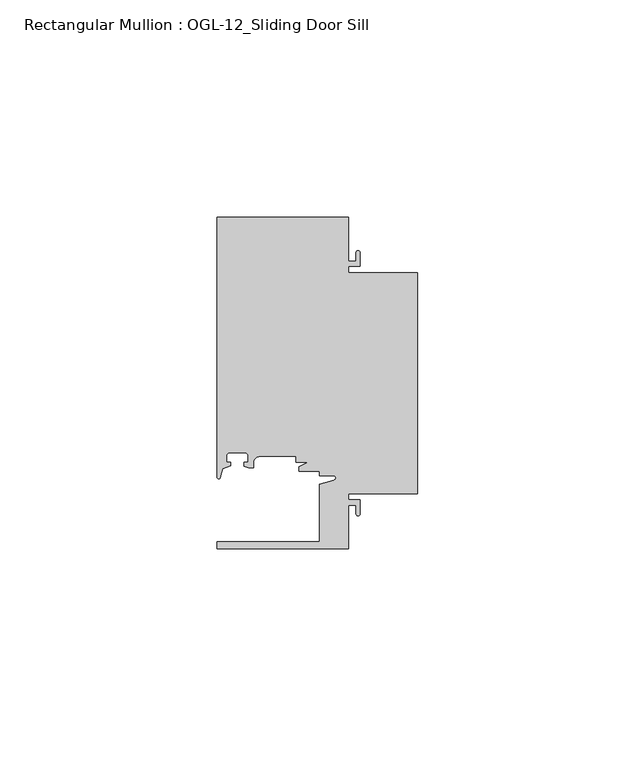
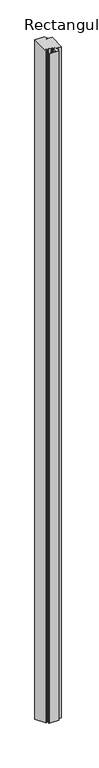
"""IFC4 building model written with IfcOpenShell, lengths in millimetres: member geometry, Rectangular Mullion : OGL-12_Sliding Door Sill."""

from ifc_helpers import new_model, si_unit, frame, origin, place, context, project, spatial, polyline, circle_curve, ellipse_curve, source, transform, mapped, element, save
from ifc_brep_helpers import plane_surface, cylinder_surface, revolved_surface, advanced_brep


def rectangular_mullion_ogl_12_sliding_door_sill_0990d1a7(model_context):
    return source(origin(), model_context, "Body", "AdvancedBrep", [
        advanced_brep(
        [(0.0, -25.4, 0.0), (0.0, 25.4, 0.0), (-15.934238, 25.4, 0.0), (-15.934238, 26.8479425, 0.0), (-13.2417195, 26.8479425, 0.0), (-13.2417195, 30.0428503, 0.0), (-14.15323, 30.0428503, 0.0), (-14.15323, 28.0544425, 0.0), (-15.934238, 28.0544425, 0.0), (-15.934238, 38.1003208, 0.0), (-46.0931306, 38.1003208, 0.0), (-46.0931306, -21.6259141, 0.0), (-45.434586, -21.7184665, 0.0), (-44.83413, -19.6244274, 0.0), (-43.0244711, -19.0364336, 0.0), (-43.0244711, -18.2246744, 0.0), (-44.0028338, -18.2246744, 0.0), (-44.0028338, -16.7746773, 0.0), (-43.2028354, -15.9746789, 0.0), (-39.8028422, -15.9746789, 0.0), (-39.0028438, -16.7746773, 0.0), (-39.0028438, -18.2246744, 0.0), (-39.9812066, -18.2246744, 0.0), (-39.9812066, -19.0676205, 0.0), (-38.8813571, -19.4491353, 0.0), (-37.7528423, -19.4819389, 0.0), (-37.7528423, -18.2799969, 0.0), (-36.3386331, -16.8636789, 0.0), (-27.9268052, -16.8636789, 0.0), (-27.9268052, -18.1505375, 0.0), (-25.1995125, -18.1505375, 0.0), (-27.2970068, -19.265795, 0.0), (-27.2970068, -20.2164975, 0.0), (-22.6027094, -20.2164975, 0.0), (-22.6027094, -21.2536528, 0.0), (-19.3562398, -21.2536528, 0.0), (-19.2086572, -22.3037579, 0.0), (-22.6260049, -23.2836666, 0.0), (-22.6260049, -36.5121792, 0.0), (-46.0931306, -36.5121792, 0.0), (-46.0931306, -38.0996792, 0.0), (-15.934238, -38.0996792, 0.0), (-15.934238, -28.0538009, 0.0), (-14.15323, -28.0538009, 0.0), (-14.15323, -30.0428503, 0.0), (-13.2417195, -30.0428503, 0.0), (-13.2417195, -26.8473009, 0.0), (-15.934238, -26.8473009, 0.0), (-15.934238, -25.4, 0.0), (0.0, -25.4, -2208.8049101), (0.0, 25.4, -2229.846959), (-15.934238, 25.4, -2229.846959), (-15.934238, 26.8479425, -2230.4467164), (-13.2417195, 26.8479425, -2230.4467164), (-13.2417195, 30.0428503, -2231.7700906), (-14.15323, 30.0428503, -2231.7700906), (-14.15323, 28.0544425, -2230.9464651), (-15.934238, 28.0544425, -2230.9464651), (-15.934238, 38.1003208, -2235.1076041), (-46.0931306, 38.1003208, -2235.1076041), (-46.0931306, -21.6259141, -2210.3681876), (-45.434586, -21.7184665, -2210.3298511), (-44.83413, -19.6244274, -2211.1972305), (-43.0244711, -19.0364336, -2211.4407855), (-43.0244711, -18.2246744, -2211.7770272), (-44.0028338, -18.2246744, -2211.7770272), (-44.0028338, -16.7746773, -2212.3776357), (-43.2028354, -15.9746789, -2212.7090059), (-39.8028422, -15.9746789, -2212.7090059), (-39.0028438, -16.7746773, -2212.3776357), (-39.0028438, -18.2246744, -2211.7770272), (-39.9812066, -18.2246744, -2211.7770272), (-39.9812066, -19.0676205, -2211.4278675), (-38.8813571, -19.4491353, -2211.2698389), (-37.7528423, -19.4819389, -2211.2562512), (-37.7528423, -18.2799969, -2211.7541119), (-36.3386331, -16.8636789, -2212.34077), (-27.9268052, -16.8636789, -2212.34077), (-27.9268052, -18.1505375, -2211.8077357), (-25.1995125, -18.1505375, -2211.8077357), (-27.2970068, -19.265795, -2211.345781), (-27.2970068, -20.2164975, -2210.9519871), (-22.6027094, -20.2164975, -2210.9519871), (-22.6027094, -21.2536528, -2210.5223833), (-19.3562398, -21.2536528, -2210.5223833), (-19.2086572, -22.3037579, -2210.0874155), (-22.6260049, -23.2836666, -2209.681524), (-22.6260049, -36.5121792, -2204.2020947), (-46.0931306, -36.5121792, -2204.2020947), (-46.0931306, -38.0996792, -2203.5445307), (-15.934238, -38.0996792, -2203.5445307), (-15.934238, -28.0538009, -2207.7056697), (-14.15323, -28.0538009, -2207.7056697), (-14.15323, -30.0428503, -2206.8817785), (-13.2417195, -30.0428503, -2206.8817785), (-13.2417195, -26.8473009, -2208.2054184), (-15.934238, -26.8473009, -2208.2054184), (-15.934238, -25.4, -2208.8049101)],
        [
            (0, 1),
            (1, 2),
            (2, 3),
            (3, 4),
            (4, 5),
            (5, 6, circle_curve(frame((-13.6974747, 30.0428503, 0.0), z_axis=(0.0, 0.0, 1.0), x_axis=(1.0, 0.0, 0.0)), 0.4557552)),
            (6, 7),
            (7, 8),
            (8, 9),
            (9, 10),
            (10, 11),
            (11, 12, circle_curve(frame((-45.7573546, -21.6259141, 0.0), z_axis=(0.0, 0.0, 1.0), x_axis=(1.0, 0.0, 0.0)), 0.335776)),
            (12, 13),
            (13, 14),
            (14, 15),
            (15, 16),
            (16, 17),
            (17, 18, circle_curve(frame((-43.2028354, -16.7746773, 0.0), z_axis=(0.0, 0.0, -1.0), x_axis=(-1.0, 1.799826092248439e-12, 0.0)), 0.7999984)),
            (18, 19),
            (19, 20, circle_curve(frame((-39.8028422, -16.7746773, 0.0), z_axis=(0.0, 0.0, -1.0), x_axis=(0.0, 1.0, 0.0)), 0.7999984)),
            (20, 21),
            (21, 22),
            (22, 23),
            (23, 24),
            (24, 25),
            (25, 26),
            (26, 27, circle_curve(frame((-36.3386331, -18.2778896, 0.0), z_axis=(0.0, 0.0, -1.0), x_axis=(-0.9999999999986251, -1.6582437952564231e-06, 0.0)), 1.4142107)),
            (27, 28),
            (28, 29),
            (29, 30),
            (30, 31),
            (31, 32),
            (32, 33),
            (33, 34),
            (34, 35),
            (35, 36, circle_curve(frame((-19.3562398, -21.789076, 0.0), z_axis=(0.0, 0.0, -1.0), x_axis=(1.0, 0.0, 0.0)), 0.5354233)),
            (36, 37),
            (37, 38),
            (38, 39),
            (39, 40),
            (40, 41),
            (41, 42),
            (42, 43),
            (43, 44),
            (44, 45, circle_curve(frame((-13.6974747, -30.0428503, 0.0), z_axis=(0.0, 0.0, 1.0), x_axis=(1.0, 0.0, 0.0)), 0.4557552)),
            (45, 46),
            (46, 47),
            (47, 48),
            (48, 0),
            (0, 49),
            (49, 50),
            (50, 1),
            (50, 51),
            (51, 2),
            (51, 52),
            (52, 3),
            (52, 53),
            (53, 4),
            (53, 54),
            (54, 5),
            (54, 55, ellipse_curve(frame((-13.6974747, 30.0428503, -2231.7700906), z_axis=(0.0, 0.38268343236509056, 0.9238795325112865), x_axis=(0.0, -0.9238795325112865, 0.38268343236509034)), 0.4933059, 0.4557552)),
            (55, 6),
            (55, 56),
            (56, 7),
            (56, 57),
            (57, 8),
            (57, 58),
            (58, 9),
            (58, 59),
            (59, 10),
            (59, 60),
            (60, 11),
            (60, 61, ellipse_curve(frame((-45.7573546, -21.6259141, -2210.3681876), z_axis=(0.0, 0.38268343236509056, 0.9238795325112865), x_axis=(0.0, -0.9238795325112865, 0.38268343236509034)), 0.3634413, 0.335776)),
            (61, 12),
            (61, 62),
            (62, 13),
            (62, 63),
            (63, 14),
            (63, 64),
            (64, 15),
            (64, 65),
            (65, 16),
            (65, 66),
            (66, 17),
            (66, 67, ellipse_curve(frame((-43.2028354, -16.7746773, -2212.3776357), z_axis=(0.0, -0.38268343236509056, -0.9238795325112865), x_axis=(0.0, 0.9238795325112865, -0.38268343236509034)), 0.865912, 0.7999984)),
            (67, 18),
            (67, 68),
            (68, 19),
            (68, 69, ellipse_curve(frame((-39.8028422, -16.7746773, -2212.3776357), z_axis=(0.0, -0.38268343236509056, -0.9238795325112865), x_axis=(0.0, 0.9238795325112865, -0.38268343236509034)), 0.865912, 0.7999984)),
            (69, 20),
            (69, 70),
            (70, 21),
            (70, 71),
            (71, 22),
            (71, 72),
            (72, 23),
            (72, 73),
            (73, 24),
            (73, 74),
            (74, 25),
            (74, 75),
            (75, 26),
            (75, 76, ellipse_curve(frame((-36.3386331, -18.2778896, -2211.7549847), z_axis=(0.0, -0.38268343236509056, -0.9238795325112865), x_axis=(0.0, 0.9238795325112865, -0.38268343236509034)), 1.5307307, 1.4142107)),
            (76, 27),
            (76, 77),
            (77, 28),
            (77, 78),
            (78, 29),
            (78, 79),
            (79, 30),
            (79, 80),
            (80, 31),
            (80, 81),
            (81, 32),
            (81, 82),
            (82, 33),
            (82, 83),
            (83, 34),
            (83, 84),
            (84, 35),
            (84, 85, ellipse_curve(frame((-19.3562398, -21.789076, -2210.3006037), z_axis=(0.0, -0.38268343236509056, -0.9238795325112865), x_axis=(0.0, 0.9238795325112865, -0.38268343236509034)), 0.579538, 0.5354233)),
            (85, 36),
            (85, 86),
            (86, 37),
            (86, 87),
            (87, 38),
            (87, 88),
            (88, 39),
            (88, 89),
            (89, 40),
            (89, 90),
            (90, 41),
            (90, 91),
            (91, 42),
            (91, 92),
            (92, 43),
            (92, 93),
            (93, 44),
            (93, 94, ellipse_curve(frame((-13.6974747, -30.0428503, -2206.8817785), z_axis=(0.0, 0.38268343236509056, 0.9238795325112865), x_axis=(0.0, -0.9238795325112865, 0.38268343236509034)), 0.4933059, 0.4557552)),
            (94, 45),
            (94, 95),
            (95, 46),
            (95, 96),
            (96, 47),
            (96, 97),
            (97, 48),
            (97, 49),
        ],
        [
            plane_surface(frame((0.0, -59.8014309, 0.0), z_axis=(0.0, 0.0, 1.0), x_axis=(-1.0, 0.0, 0.0))),
            plane_surface(frame((0.0, -25.4, 0.0), z_axis=(1.0, 0.0, 0.0), x_axis=(0.0, 0.0, -1.0))),
            plane_surface(frame((0.0, 25.4, 0.0), z_axis=(0.0, 1.0, 0.0), x_axis=(0.0, 0.0, -1.0))),
            plane_surface(frame((-15.934238, 25.4, 0.0), z_axis=(1.0, 0.0, 0.0), x_axis=(0.0, 0.0, -1.0))),
            plane_surface(frame((-15.934238, 26.8479425, 0.0), z_axis=(0.0, -1.0, 0.0), x_axis=(0.0, 0.0, -1.0))),
            plane_surface(frame((-13.2417195, 26.8479425, 0.0), z_axis=(1.0, 0.0, 0.0), x_axis=(0.0, 0.0, -1.0))),
            cylinder_surface(frame((-13.6974747, 30.0428503, 0.0), z_axis=(0.0, 0.0, 1.0), x_axis=(1.0, 0.0, 0.0)), 0.4557552),
            plane_surface(frame((-14.15323, 30.0428503, 0.0), z_axis=(-1.0, 0.0, 0.0), x_axis=(0.0, 0.0, -1.0))),
            plane_surface(frame((-14.15323, 28.0544425, 0.0), z_axis=(0.0, 1.0, 0.0), x_axis=(0.0, 0.0, -1.0))),
            plane_surface(frame((-15.934238, 28.0544425, 0.0), z_axis=(1.0, 0.0, 0.0), x_axis=(0.0, 0.0, -1.0))),
            plane_surface(frame((-15.934238, 38.1003208, 0.0), z_axis=(0.0, 1.0, 0.0), x_axis=(0.0, 0.0, -1.0))),
            plane_surface(frame((-46.0931306, 38.1003208, 0.0), z_axis=(-1.0, 0.0, 0.0), x_axis=(0.0, 0.0, -1.0))),
            cylinder_surface(frame((-45.7573546, -21.6259141, 0.0), z_axis=(0.0, 0.0, 1.0), x_axis=(1.0, 0.0, 0.0)), 0.335776),
            plane_surface(frame((-45.434586, -21.7184665, 0.0), z_axis=(0.9612616959383194, -0.2756373558169974, 0.0), x_axis=(0.0, 0.0, -1.0))),
            plane_surface(frame((-44.83413, -19.6244274, 0.0), z_axis=(0.3090169943749513, -0.9510565162951524, 0.0), x_axis=(0.0, 0.0, -1.0))),
            plane_surface(frame((-43.0244711, -19.0364336, 0.0), z_axis=(1.0, 4.43377596609906e-12, 0.0), x_axis=(0.0, 0.0, -1.0))),
            plane_surface(frame((-43.0244711, -18.2246744, 0.0), z_axis=(-4.433747641661293e-12, 1.0, 0.0), x_axis=(0.0, 0.0, -1.0))),
            plane_surface(frame((-44.0028338, -18.2246744, 0.0), z_axis=(1.0, 0.0, 0.0), x_axis=(0.0, 0.0, -1.0))),
            revolved_surface(polyline([(-44.0028338, -16.77467729999856, -2212.7090059), (-44.0028338, -16.77467729999856, 0.0)]), (-43.2028354, -16.7746773, 0.0), (0.0, 0.0, -1.0)),
            plane_surface(frame((-43.2028354, -15.9746789, 0.0), z_axis=(0.0, -1.0, 0.0), x_axis=(0.0, 0.0, -1.0))),
            revolved_surface(polyline([(-39.8028422, -15.9746789, -2212.7090059), (-39.8028422, -15.9746789, 0.0)]), (-39.8028422, -16.7746773, 0.0), (0.0, 0.0, -1.0)),
            plane_surface(frame((-39.0028438, -16.7746773, 0.0), z_axis=(-1.0, 0.0, 0.0), x_axis=(0.0, 0.0, -1.0))),
            plane_surface(frame((-39.0028438, -18.2246744, 0.0), z_axis=(-4.433747641661293e-12, 1.0, 0.0), x_axis=(0.0, 0.0, -1.0))),
            plane_surface(frame((-39.9812066, -18.2246744, 0.0), z_axis=(-1.0, -4.433451685302712e-12, 0.0), x_axis=(0.0, 0.0, -1.0))),
            plane_surface(frame((-39.9812066, -19.0676205, 0.0), z_axis=(-0.32772245719498466, -0.94477404232445, 0.0), x_axis=(0.0, 0.0, -1.0))),
            plane_surface(frame((-38.8813571, -19.4491353, 0.0), z_axis=(-0.029055596517580287, -0.999577797027829, 0.0), x_axis=(0.0, 0.0, -1.0))),
            plane_surface(frame((-37.7528423, -19.4819389, 0.0), z_axis=(1.0, 0.0, 0.0), x_axis=(0.0, 0.0, -1.0))),
            revolved_surface(polyline([(-37.75284379999806, -18.27789194510612, -2212.34077), (-37.75284379999806, -18.27789194510612, 0.0)]), (-36.3386331, -18.2778896, 0.0), (0.0, 0.0, -1.0)),
            plane_surface(frame((-36.3386331, -16.8636789, 0.0), z_axis=(0.0, -1.0, 0.0), x_axis=(0.0, 0.0, -1.0))),
            plane_surface(frame((-27.9268052, -16.8636789, 0.0), z_axis=(-1.0, 0.0, 0.0), x_axis=(0.0, 0.0, -1.0))),
            plane_surface(frame((-27.9268052, -18.1505375, 0.0), z_axis=(0.0, -1.0, 0.0), x_axis=(0.0, 0.0, -1.0))),
            plane_surface(frame((-25.1995125, -18.1505375, 0.0), z_axis=(-0.4694715627858938, 0.8829475928589254, 0.0), x_axis=(0.0, 0.0, -1.0))),
            plane_surface(frame((-27.2970068, -19.265795, 0.0), z_axis=(-1.0, 0.0, 0.0), x_axis=(0.0, 0.0, -1.0))),
            plane_surface(frame((-27.2970068, -20.2164975, 0.0), z_axis=(0.0, -1.0, 0.0), x_axis=(0.0, 0.0, -1.0))),
            plane_surface(frame((-22.6027094, -20.2164975, 0.0), z_axis=(-1.0, 0.0, 0.0), x_axis=(0.0, 0.0, -1.0))),
            plane_surface(frame((-22.6027094, -21.2536528, 0.0), z_axis=(0.0, -1.0, 0.0), x_axis=(0.0, 0.0, -1.0))),
            revolved_surface(polyline([(-18.8208165, -21.789076, -2210.5223833), (-18.8208165, -21.789076, 0.0)]), (-19.3562398, -21.789076, 0.0), (0.0, 0.0, -1.0)),
            plane_surface(frame((-19.2086572, -22.3037579, 0.0), z_axis=(-0.2756373558170016, 0.9612616959383182, 0.0), x_axis=(0.0, 0.0, -1.0))),
            plane_surface(frame((-22.6260049, -23.2836666, 0.0), z_axis=(-1.0, 0.0, 0.0), x_axis=(0.0, 0.0, -1.0))),
            plane_surface(frame((-22.6260049, -36.5121792, 0.0), z_axis=(0.0, 1.0, 0.0), x_axis=(0.0, 0.0, -1.0))),
            plane_surface(frame((-46.0931306, -36.5121792, 0.0), z_axis=(-1.0, 0.0, 0.0), x_axis=(0.0, 0.0, -1.0))),
            plane_surface(frame((-46.0931306, -38.0996792, 0.0), z_axis=(0.0, -1.0, 0.0), x_axis=(0.0, 0.0, -1.0))),
            plane_surface(frame((-15.934238, -38.0996792, 0.0), z_axis=(1.0, 0.0, 0.0), x_axis=(0.0, 0.0, -1.0))),
            plane_surface(frame((-15.934238, -28.0538009, 0.0), z_axis=(0.0, -1.0, 0.0), x_axis=(0.0, 0.0, -1.0))),
            plane_surface(frame((-14.15323, -28.0538009, 0.0), z_axis=(-1.0, 0.0, 0.0), x_axis=(0.0, 0.0, -1.0))),
            cylinder_surface(frame((-13.6974747, -30.0428503, 0.0), z_axis=(0.0, 0.0, 1.0), x_axis=(1.0, 0.0, 0.0)), 0.4557552),
            plane_surface(frame((-13.2417195, -30.0428503, 0.0), z_axis=(1.0, 0.0, 0.0), x_axis=(0.0, 0.0, -1.0))),
            plane_surface(frame((-13.2417195, -26.8473009, 0.0), z_axis=(0.0, 1.0, 0.0), x_axis=(0.0, 0.0, -1.0))),
            plane_surface(frame((-15.934238, -26.8473009, 0.0), z_axis=(1.0, 0.0, 0.0), x_axis=(0.0, 0.0, -1.0))),
            plane_surface(frame((-15.934238, -25.4, 0.0), z_axis=(0.0, -1.0, 0.0), x_axis=(0.0, 0.0, -1.0))),
            plane_surface(frame((304.8, 0.0, -2219.3259345), z_axis=(0.0, -0.38268343236509056, -0.9238795325112865), x_axis=(0.0, -0.9238795325112865, 0.38268343236509056))),
        ],
        [
            (0, [[1, 2, 3, 4, 5, 6, 7, 8, 9, 10, 11, 12, 13, 14, 15, 16, 17, 18, 19, 20, 21, 22, 23, 24, 25, 26, 27, 28, 29, 30, 31, 32, 33, 34, 35, 36, 37, 38, 39, 40, 41, 42, 43, 44, 45, 46, 47, 48, 49]]),
            (1, [[-1, 50, 51, 52]]),
            (2, [[-2, -52, 53, 54]]),
            (3, [[-3, -54, 55, 56]]),
            (4, [[-4, -56, 57, 58]]),
            (5, [[-5, -58, 59, 60]]),
            (6, [[-6, -60, 61, 62]]),
            (7, [[-7, -62, 63, 64]]),
            (8, [[-8, -64, 65, 66]]),
            (9, [[-9, -66, 67, 68]]),
            (10, [[-10, -68, 69, 70]]),
            (11, [[-11, -70, 71, 72]]),
            (12, [[-12, -72, 73, 74]]),
            (13, [[-13, -74, 75, 76]]),
            (14, [[-14, -76, 77, 78]]),
            (15, [[-15, -78, 79, 80]]),
            (16, [[-16, -80, 81, 82]]),
            (17, [[-17, -82, 83, 84]]),
            (18, [[-18, -84, 85, 86]]),
            (19, [[-19, -86, 87, 88]]),
            (20, [[-20, -88, 89, 90]]),
            (21, [[-21, -90, 91, 92]]),
            (22, [[-22, -92, 93, 94]]),
            (23, [[-23, -94, 95, 96]]),
            (24, [[-24, -96, 97, 98]]),
            (25, [[-25, -98, 99, 100]]),
            (26, [[-26, -100, 101, 102]]),
            (27, [[-27, -102, 103, 104]]),
            (28, [[-28, -104, 105, 106]]),
            (29, [[-29, -106, 107, 108]]),
            (30, [[-30, -108, 109, 110]]),
            (31, [[-31, -110, 111, 112]]),
            (32, [[-32, -112, 113, 114]]),
            (33, [[-33, -114, 115, 116]]),
            (34, [[-34, -116, 117, 118]]),
            (35, [[-35, -118, 119, 120]]),
            (36, [[-36, -120, 121, 122]]),
            (37, [[-37, -122, 123, 124]]),
            (38, [[-38, -124, 125, 126]]),
            (39, [[-39, -126, 127, 128]]),
            (40, [[-40, -128, 129, 130]]),
            (41, [[-41, -130, 131, 132]]),
            (42, [[-42, -132, 133, 134]]),
            (43, [[-43, -134, 135, 136]]),
            (44, [[-44, -136, 137, 138]]),
            (45, [[-45, -138, 139, 140]]),
            (46, [[-46, -140, 141, 142]]),
            (47, [[-47, -142, 143, 144]]),
            (48, [[-48, -144, 145, 146]]),
            (49, [[-49, -146, 147, -50]]),
            (50, [[-147, -145, -143, -141, -139, -137, -135, -133, -131, -129, -127, -125, -123, -121, -119, -117, -115, -113, -111, -109, -107, -105, -103, -101, -99, -97, -95, -93, -91, -89, -87, -85, -83, -81, -79, -77, -75, -73, -71, -69, -67, -65, -63, -61, -59, -57, -55, -53, -51]]),
        ],
    ),
    ])


if __name__ == "__main__":
    model = new_model("IFC4")
    model_context = context("Model", 3, world=origin())
    ifc_project = project(units=[si_unit("LENGTHUNIT", "METRE", prefix="MILLI")], contexts=[model_context])
    site = spatial("IfcSite", under=ifc_project)
    building = spatial("IfcBuilding", under=site)
    placement = place(None, origin())
    rectangular_mullion_ogl_12_sliding_door_sill_shape = rectangular_mullion_ogl_12_sliding_door_sill_0990d1a7(model_context)
    element("IfcMember", 1, ObjectType="Rectangular Mullion : OGL-12_Sliding Door Sill", at=placement, inside=building, context=model_context, shape_type="MappedRepresentation", body=[
        mapped(rectangular_mullion_ogl_12_sliding_door_sill_shape, transform((0.0, 0.0, 0.0), x_axis=(1.0, 0.0, 0.0), y_axis=(0.0, 1.0, 0.0), z_axis=(0.0, 0.0, 1.0))),
    ])
    save(model, "model.ifc")
